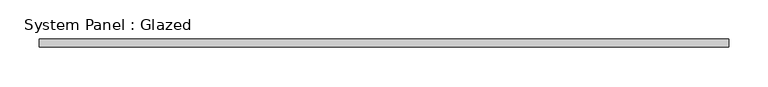
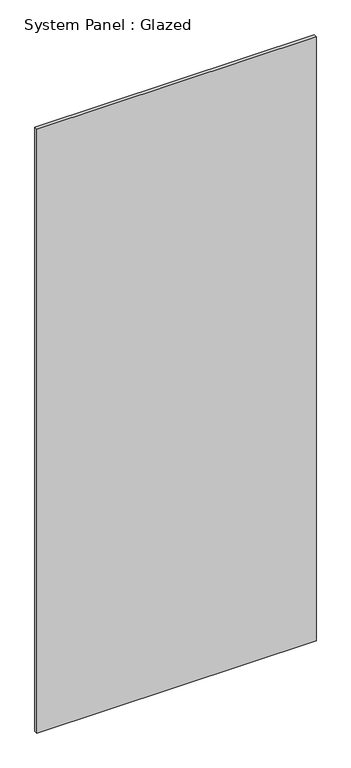
"""IFC4 building model written with IfcOpenShell, lengths in millimetres: plate geometry, System Panel : Glazed."""

from ifc_helpers import new_model, si_unit, origin, origin_with_axes, place, context, project, spatial, polyline, outline, extrude, source, transform, mapped, element, save


def system_panel_glazed_0f892f4a(model_context):
    return source(origin(), model_context, "Body", "SweptSolid", [
        extrude(outline(polyline([(436.3461806, -5.0), (-436.3461806, -5.0), (-436.3461806, 5.0), (436.3461806, 5.0), (436.3461806, -5.0)])), origin_with_axes(), (0.0, 0.0, 1.0), 1995.0),
    ])


if __name__ == "__main__":
    model = new_model("IFC4")
    model_context = context("Model", 3, world=origin())
    ifc_project = project(units=[si_unit("LENGTHUNIT", "METRE", prefix="MILLI")], contexts=[model_context])
    site = spatial("IfcSite", under=ifc_project)
    building = spatial("IfcBuilding", under=site)
    placement = place(None, origin())
    system_panel_glazed_shape = system_panel_glazed_0f892f4a(model_context)
    element("IfcPlate", 1, ObjectType="System Panel : Glazed", at=placement, inside=building, context=model_context, shape_type="MappedRepresentation", body=[
        mapped(system_panel_glazed_shape, transform((0.0, 0.0, 0.0), x_axis=(1.0, 0.0, 0.0), y_axis=(0.0, 1.0, 0.0), z_axis=(0.0, 0.0, 1.0))),
    ])
    save(model, "model.ifc")
